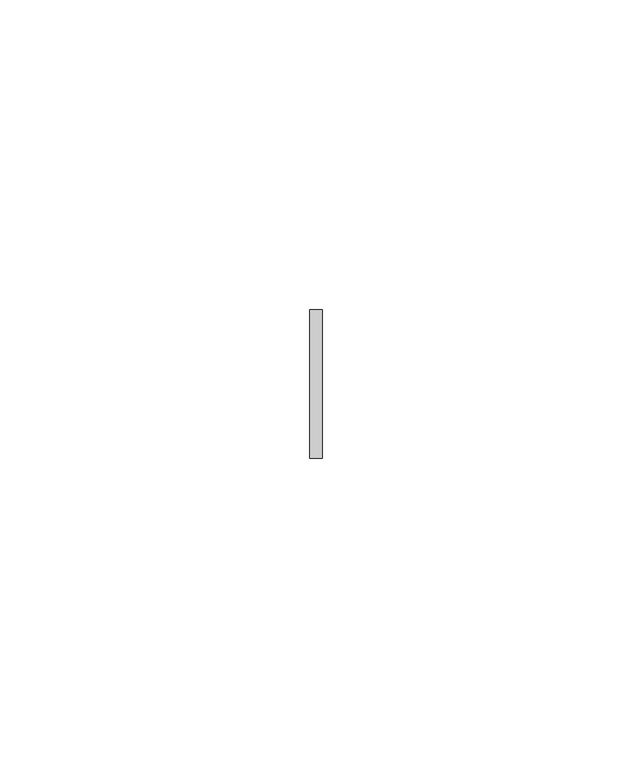
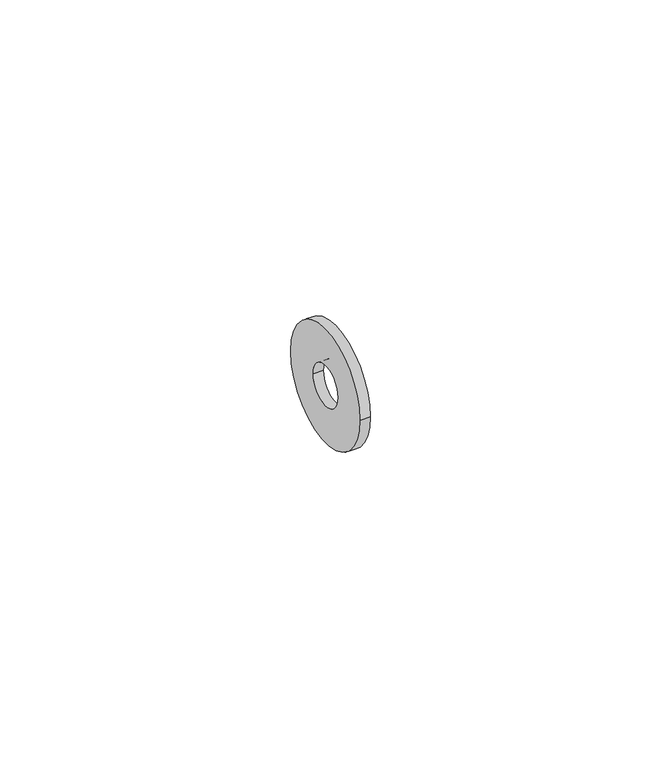
"""IFC4 building model written with IfcOpenShell, lengths in millimetres: proxy geometry."""

from ifc_helpers import new_model, si_unit, point, frame, origin, origin_2d, place, context, project, spatial, circle_curve, trimmed, segment, composite_curve, outline, extrude, source, transform, mapped, element, save


def generic_models_38f7c073(model_context):
    return source(origin(), model_context, "Body", "SweptSolid", [
        extrude(outline(composite_curve([segment(trimmed(circle_curve(origin_2d(), 12.0), [point((12.0, 0.0))], [point((-12.0, 0.0))], False, "CARTESIAN"), True, "CONTINUOUS"), segment(trimmed(circle_curve(origin_2d(), 12.0), [point((-12.0, 0.0))], [point((12.0, 0.0))], False, "CARTESIAN"), True, "CONTINUOUS")], self_intersect=False), holes=[composite_curve([segment(trimmed(circle_curve(origin_2d(), 4.2), [point((4.2, 0.0))], [point((-4.2, 0.0))], True, "CARTESIAN"), True, "CONTINUOUS"), segment(trimmed(circle_curve(origin_2d(), 4.2), [point((-4.2, 0.0))], [point((4.2, 0.0))], True, "CARTESIAN"), True, "CONTINUOUS")], self_intersect=False)]), frame((0.0, 0.0, 0.0), z_axis=(1.0, 0.0, 0.0), x_axis=(0.0, 1.0, 0.0)), (0.0, 0.0, 1.0), 2.0),
    ])


if __name__ == "__main__":
    model = new_model("IFC4")
    model_context = context("Model", 3, world=origin())
    ifc_project = project(units=[si_unit("LENGTHUNIT", "METRE", prefix="MILLI")], contexts=[model_context])
    site = spatial("IfcSite", under=ifc_project)
    building = spatial("IfcBuilding", under=site)
    placement = place(None, origin())
    generic_models_shape = generic_models_38f7c073(model_context)
    element("IfcBuildingElementProxy", 1, Name="Generic Models", at=placement, inside=building, context=model_context, shape_type="MappedRepresentation", body=[
        mapped(generic_models_shape, transform((0.0, 0.0, 0.0), x_axis=(1.0, 0.0, 0.0), y_axis=(0.0, 1.0, 0.0), z_axis=(0.0, 0.0, 1.0))),
    ])
    save(model, "model.ifc")
